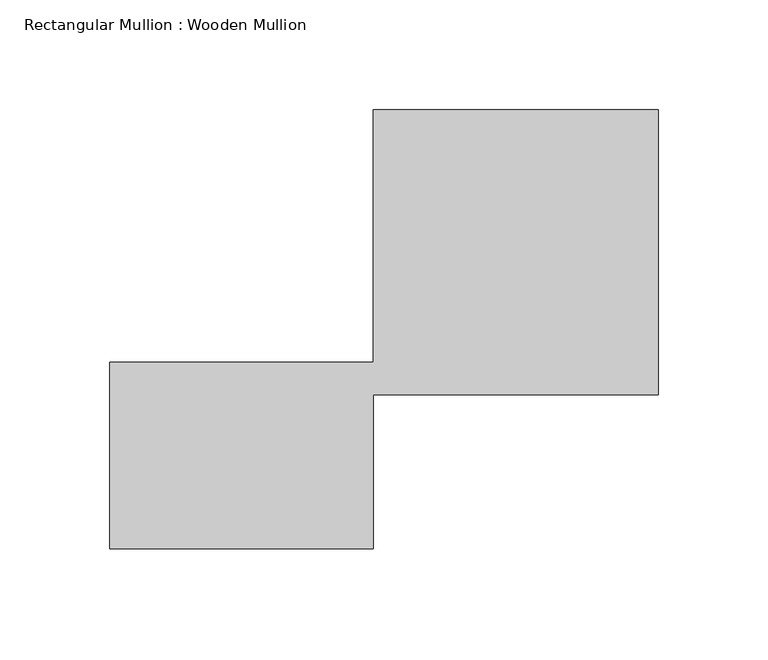
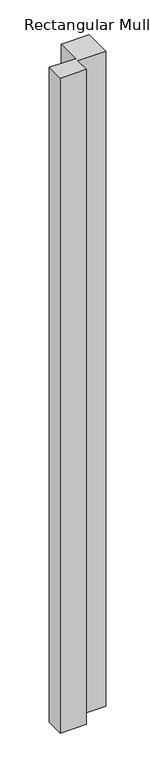
"""IFC4 building model written with IfcOpenShell, lengths in millimetres: member geometry, Rectangular Mullion : Wooden Mullion."""

from ifc_helpers import new_model, si_unit, frame, origin, place, context, project, spatial, polyline, outline, extrude, source, transform, mapped, element, save


def rectangular_mullion_wooden_mullion_6dc2771b(model_context):
    return source(origin(), model_context, "Body", "SweptSolid", [
        extrude(outline(polyline([(74.8100006, -26.0137344), (-45.1899994, -26.0137344), (-45.1899994, 58.9862656), (74.8100006, 58.9862656), (74.8100006, 173.9862656), (204.8100006, 173.9862656), (204.8100006, 43.9862656), (74.8100006, 43.9862656), (74.8100006, -26.0137344)])), frame((0.0, 0.0, -3171.9678182), z_axis=(0.0, 0.0, 1.0), x_axis=(1.0, 0.0, 0.0)), (0.0, 0.0, 1.0), 3171.9678182),
    ])


if __name__ == "__main__":
    model = new_model("IFC4")
    model_context = context("Model", 3, world=origin())
    ifc_project = project(units=[si_unit("LENGTHUNIT", "METRE", prefix="MILLI")], contexts=[model_context])
    site = spatial("IfcSite", under=ifc_project)
    building = spatial("IfcBuilding", under=site)
    placement = place(None, origin())
    rectangular_mullion_wooden_mullion_shape = rectangular_mullion_wooden_mullion_6dc2771b(model_context)
    element("IfcMember", 1, ObjectType="Rectangular Mullion : Wooden Mullion", at=placement, inside=building, context=model_context, shape_type="MappedRepresentation", body=[
        mapped(rectangular_mullion_wooden_mullion_shape, transform((0.0, 0.0, 0.0), x_axis=(1.0, 0.0, 0.0), y_axis=(0.0, 1.0, 0.0), z_axis=(0.0, 0.0, 1.0))),
    ])
    save(model, "model.ifc")
